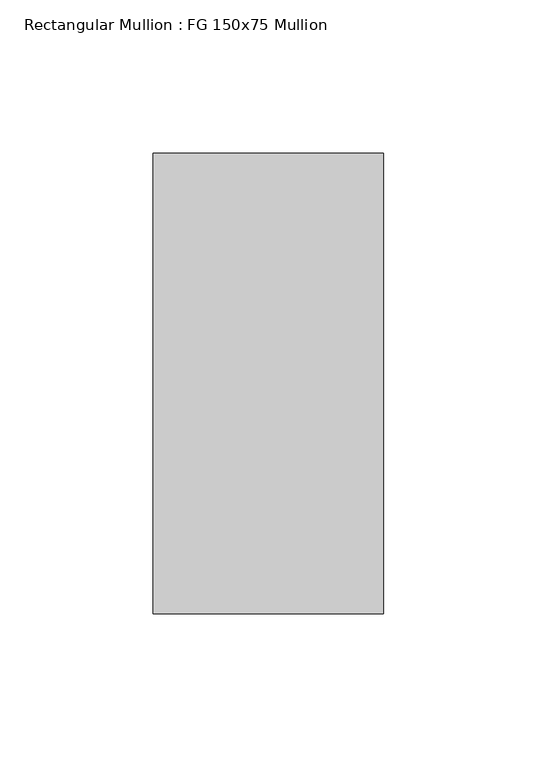
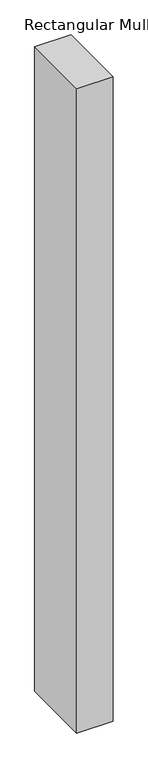
"""IFC4 building model written with IfcOpenShell, lengths in millimetres: member geometry, Rectangular Mullion : FG 150x75 Mullion."""

from ifc_helpers import new_model, si_unit, frame, origin, place, context, project, spatial, polyline, outline, extrude, source, transform, mapped, element, save


def rectangular_mullion_fg_150x75_mullion_09514f4a(model_context):
    return source(origin(), model_context, "Body", "SweptSolid", [
        extrude(outline(polyline([(37.5, 75.0), (37.5, -75.0), (-37.5, -75.0), (-37.5, 75.0), (37.5, 75.0)])), frame((0.0, 0.0, -1402.8333333), z_axis=(0.0, 0.0, 1.0), x_axis=(1.0, 0.0, 0.0)), (0.0, 0.0, 1.0), 1402.8333333),
    ])


if __name__ == "__main__":
    model = new_model("IFC4")
    model_context = context("Model", 3, world=origin())
    ifc_project = project(units=[si_unit("LENGTHUNIT", "METRE", prefix="MILLI")], contexts=[model_context])
    site = spatial("IfcSite", under=ifc_project)
    building = spatial("IfcBuilding", under=site)
    placement = place(None, origin())
    rectangular_mullion_fg_150x75_mullion_shape = rectangular_mullion_fg_150x75_mullion_09514f4a(model_context)
    element("IfcMember", 1, ObjectType="Rectangular Mullion : FG 150x75 Mullion", at=placement, inside=building, context=model_context, shape_type="MappedRepresentation", body=[
        mapped(rectangular_mullion_fg_150x75_mullion_shape, transform((0.0, 0.0, 0.0), x_axis=(1.0, 0.0, 0.0), y_axis=(0.0, 1.0, 0.0), z_axis=(0.0, 0.0, 1.0))),
    ])
    save(model, "model.ifc")
